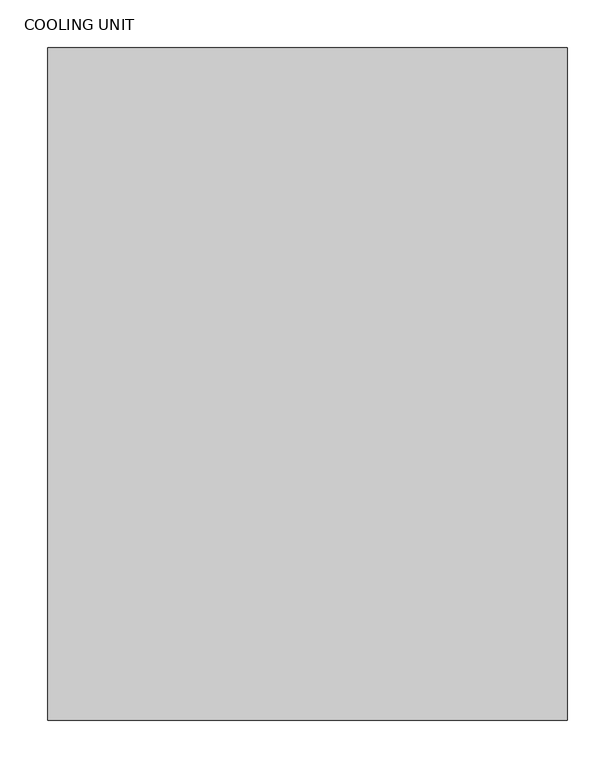
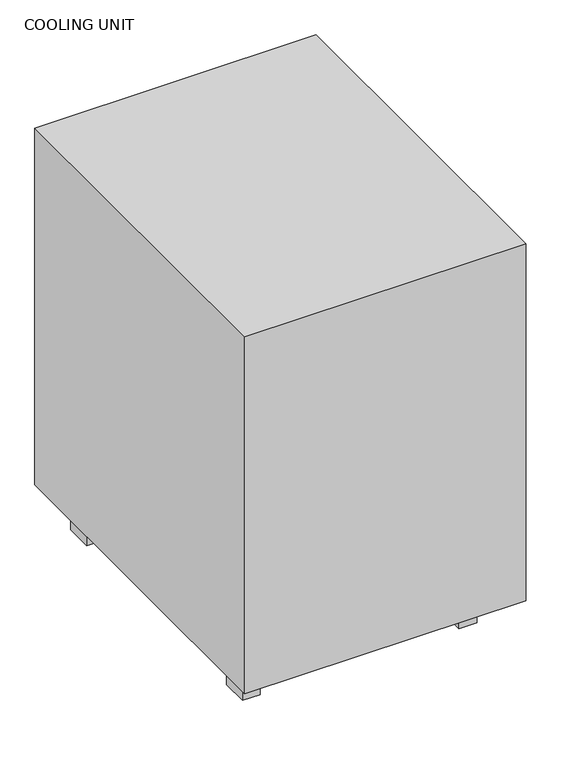
"""IFC4 building model written with IfcOpenShell, lengths in millimetres: proxy geometry, COOLING UNIT."""

import ifcopenshell
import ifcopenshell.guid

model = None  # the IFC model being written
_history = None  # IfcOwnerHistory: only IFC2X3 demands one
_inside = {}  # id of a spatial element -> (the spatial element, [elements in it])
_under = {}  # id of a project, library or spatial element -> (it, [spatial elements below it])
_declared = {}  # id of a project -> (the project, [libraries it declares])
_typed = {}  # id of a type object -> (the type object, [elements of that type])
_made_of = {}  # id of a material, layer set ... -> (it, [elements and type objects made of it])


def new_model(schema):
    """Start an empty IFC model of exactly this schema.

    Asked for "IFC4X3", IfcOpenShell would pick the latest addendum, in which some entities
    have other attributes; the version numbers below select the first issue.
    IFC2X3 requires an IfcOwnerHistory on every rooted entity: one is made here for all.
    """
    global model, _history
    if schema == "IFC4X3":
        model = ifcopenshell.file(schema_version=(4, 3, 0, 0))
    else:
        model = ifcopenshell.file(schema=schema)
    _inside.clear()
    _under.clear()
    _declared.clear()
    _typed.clear()
    _made_of.clear()
    _history = None
    if model.schema == "IFC2X3":
        org = make("IfcOrganization", Name="unknown")
        user = make(
            "IfcPersonAndOrganization",
            ThePerson=make("IfcPerson", FamilyName="unknown"),
            TheOrganization=org,
        )
        app = make(
            "IfcApplication",
            ApplicationDeveloper=org,
            Version="unknown",
            ApplicationFullName="unknown",
            ApplicationIdentifier="unknown",
        )
        _history = make(
            "IfcOwnerHistory",
            OwningUser=user,
            OwningApplication=app,
            ChangeAction="ADDED",
            CreationDate=0,
        )
    return model


def make(cls, **values):
    """One entity of the class cls with the attributes given. An attribute that is None is left unset."""
    return model.create_entity(
        cls, **{name: value for name, value in values.items() if value is not None}
    )


def rooted(cls, **values):
    """An entity with a GlobalId (a new one), such as an element, a storey or a relation."""
    return make(cls, GlobalId=ifcopenshell.guid.new(), OwnerHistory=_history, **values)


def si_unit(unit_type, name, prefix=None):
    """IfcSIUnit, for example si_unit("LENGTHUNIT", "METRE", prefix="MILLI")."""
    return make("IfcSIUnit", UnitType=unit_type, Prefix=prefix, Name=name)


def assignment(units):
    """IfcUnitAssignment: the units of a project."""
    return None if units is None else make("IfcUnitAssignment", Units=units)


def point(xyz):
    """IfcCartesianPoint."""
    return None if xyz is None else make("IfcCartesianPoint", Coordinates=xyz)


def direction(xyz):
    """IfcDirection."""
    return None if xyz is None else make("IfcDirection", DirectionRatios=xyz)


def frame(location, z_axis=None, x_axis=None):
    """IfcAxis2Placement3D, a coordinate frame: its origin and axes. An axis left out is left unset."""
    return make(
        "IfcAxis2Placement3D",
        Location=point(location),
        Axis=direction(z_axis),
        RefDirection=direction(x_axis),
    )


def origin():
    """The frame at (0, 0, 0) with its axes left unset."""
    return frame((0.0, 0.0, 0.0))


def origin_with_axes():
    """The frame at (0, 0, 0) with the z axis (0, 0, 1) and the x axis (1, 0, 0) written out."""
    return frame((0.0, 0.0, 0.0), z_axis=(0.0, 0.0, 1.0), x_axis=(1.0, 0.0, 0.0))


def place(relative_to, where):
    """IfcLocalPlacement: puts the frame where relative to a parent placement (None: the world)."""
    return make(
        "IfcLocalPlacement", PlacementRelTo=relative_to, RelativePlacement=where
    )


def context(
    kind, dimensions, precision=None, world=None, true_north=None, identifier=None
):
    """IfcGeometricRepresentationContext, for example the 3D "Model" context."""
    return make(
        "IfcGeometricRepresentationContext",
        ContextIdentifier=identifier,
        ContextType=kind,
        CoordinateSpaceDimension=dimensions,
        Precision=precision,
        WorldCoordinateSystem=world,
        TrueNorth=true_north,
    )


def project(units=None, contexts=None):
    """IfcProject with its units and contexts."""
    return rooted(
        "IfcProject",
        Name="project",
        RepresentationContexts=contexts,
        UnitsInContext=assignment(units),
    )


def spatial(cls, under=None, at=None, **own):
    """A site, building, storey or space (cls), placed at a placement, below another one or the project."""
    s = rooted(cls, ObjectPlacement=at, **own)
    if under is not None:
        _under.setdefault(under.id(), (under, []))[1].append(s)
    return s


def polyline(points):
    """IfcPolyline through the points."""
    return make("IfcPolyline", Points=[point(p) for p in points])


def outline(outer, holes=None, kind="AREA"):
    """IfcArbitraryClosedProfileDef: a profile drawn as a closed curve; with holes, ...WithVoids."""
    if holes is None:
        return make("IfcArbitraryClosedProfileDef", ProfileType=kind, OuterCurve=outer)
    return make(
        "IfcArbitraryProfileDefWithVoids",
        ProfileType=kind,
        OuterCurve=outer,
        InnerCurves=holes,
    )


def extrude(swept, where, along, depth):
    """IfcExtrudedAreaSolid: the profile swept, set in the frame where, extruded along a direction by depth."""
    return make(
        "IfcExtrudedAreaSolid",
        SweptArea=swept,
        Position=where,
        ExtrudedDirection=direction(along),
        Depth=depth,
    )


def shape(context_of_items, identifier, shape_type, items):
    """IfcShapeRepresentation: the items that make up one representation, for example the "Body"."""
    return make(
        "IfcShapeRepresentation",
        ContextOfItems=context_of_items,
        RepresentationIdentifier=identifier,
        RepresentationType=shape_type,
        Items=items,
    )


def source(mapping_origin, context_of_items, identifier, shape_type, items):
    """IfcRepresentationMap: a shape defined once, which mapped items show again and again."""
    return make(
        "IfcRepresentationMap",
        MappingOrigin=mapping_origin,
        MappedRepresentation=shape(context_of_items, identifier, shape_type, items),
    )


def transform(
    local_origin,
    x_axis=None,
    y_axis=None,
    z_axis=None,
    scale=None,
    scale2=None,
    scale3=None,
    uniform=True,
):
    """IfcCartesianTransformationOperator3D, or its non-uniform kind. x_axis, y_axis, z_axis: its Axis1, 2, 3."""
    if uniform:
        return make(
            "IfcCartesianTransformationOperator3D",
            Axis1=direction(x_axis),
            Axis2=direction(y_axis),
            LocalOrigin=point(local_origin),
            Scale=scale,
            Axis3=direction(z_axis),
        )
    return make(
        "IfcCartesianTransformationOperator3DnonUniform",
        Axis1=direction(x_axis),
        Axis2=direction(y_axis),
        LocalOrigin=point(local_origin),
        Scale=scale,
        Axis3=direction(z_axis),
        Scale2=scale2,
        Scale3=scale3,
    )


def mapped(mapping_source, mapping_target):
    """IfcMappedItem: shows the shape of a source again, moved by a transform."""
    return make(
        "IfcMappedItem", MappingSource=mapping_source, MappingTarget=mapping_target
    )


def made_of(thing, what):
    """Note that an element or type object is made of a material, layer set ...; save() writes the relation."""
    if what is not None:
        _made_of.setdefault(what.id(), (what, []))[1].append(thing)
    return thing


def element(
    cls,
    number,
    at=None,
    inside=None,
    cuts=None,
    type_object=None,
    material=None,
    context=None,
    identifier="Body",
    shape_type=None,
    held_by="IfcProductDefinitionShape",
    body=None,
    shapes=None,
    **own,
):
    """One element of the class cls, such as IfcWall. Its Tag is "e" and its number.

    at: its placement. inside: the storey or other place that contains it. cuts: it is an
    opening in that element (IfcRelVoidsElement). A single representation is given by context,
    identifier, shape_type and body (its items); several are given by shapes. held_by: the class
    of the entity that holds the representations. save() writes the other relations.
    """
    e = rooted(cls, Tag="e%d" % number, ObjectPlacement=at, **own)
    if body is not None:
        shapes = [shape(context, identifier, shape_type, body)]
    if shapes is not None:
        e.Representation = make(held_by, Representations=shapes)
    if inside is not None:
        _inside.setdefault(inside.id(), (inside, []))[1].append(e)
    if cuts is not None:
        rooted(
            "IfcRelVoidsElement", RelatingBuildingElement=cuts, RelatedOpeningElement=e
        )
    if type_object is not None:
        _typed.setdefault(type_object.id(), (type_object, []))[1].append(e)
    return made_of(e, material)


def aggregate(whole, parts):
    """IfcRelAggregates: a whole, such as a stair, and the parts it consists of."""
    return rooted("IfcRelAggregates", RelatingObject=whole, RelatedObjects=parts)


def save(model, path):
    """Write the relations noted so far, then the file.

    IfcRelAggregates (storeys below a building ...), IfcRelContainedInSpatialStructure (elements
    in a storey), IfcRelDefinesByType, IfcRelAssociatesMaterial and IfcRelDeclares: one each for
    every whole, place, type object, material and project.
    """
    for whole, parts in _under.values():
        aggregate(whole, parts)
    for where, things in _inside.values():
        rooted(
            "IfcRelContainedInSpatialStructure",
            RelatedElements=things,
            RelatingStructure=where,
        )
    for kind, things in _typed.values():
        rooted("IfcRelDefinesByType", RelatedObjects=things, RelatingType=kind)
    for what, things in _made_of.values():
        rooted("IfcRelAssociatesMaterial", RelatedObjects=things, RelatingMaterial=what)
    for by, libraries in _declared.values():
        rooted("IfcRelDeclares", RelatingContext=by, RelatedDefinitions=libraries)
    model.write(path)


def cooling_unit_78903732(model_context):
    return source(origin(), model_context, "Body", "SweptSolid", [
        extrude(outline(polyline([(-321.6542933, -956.4501489), (-355.7246539, -956.4501489), (-355.7246539, -903.3938734), (-321.6542933, -903.3938734), (-321.6542933, -956.4501489)])), origin_with_axes(), (0.0, 0.0, 1.0), 80.518544),
        extrude(outline(polyline([(97.4457067, -956.4501489), (63.3753461, -956.4501489), (63.3753461, -903.3938734), (97.4457067, -903.3938734), (97.4457067, -956.4501489)])), origin_with_axes(), (0.0, 0.0, 1.0), 80.518544),
        extrude(outline(polyline([(-321.6542933, -434.0004947), (-355.7246539, -434.0004947), (-355.7246539, -380.9442193), (-321.6542933, -380.9442193), (-321.6542933, -434.0004947)])), origin_with_axes(), (0.0, 0.0, 1.0), 80.518544),
        extrude(outline(polyline([(97.4457067, -434.0004947), (63.3753461, -434.0004947), (63.3753461, -380.9442193), (97.4457067, -380.9442193), (97.4457067, -434.0004947)])), origin_with_axes(), (0.0, 0.0, 1.0), 80.518544),
        extrude(outline(polyline([(143.6725904, -1040.8248699), (-399.8874096, -1040.8248699), (-399.8874096, -337.2448699), (143.6725904, -337.2448699), (143.6725904, -1040.8248699)])), frame((0.0, 0.0, 80.518544), z_axis=(0.0, 0.0, 1.0), x_axis=(1.0, 0.0, 0.0)), (0.0, 0.0, 1.0), 729.741456),
    ])


if __name__ == "__main__":
    model = new_model("IFC4")
    model_context = context("Model", 3, world=origin())
    ifc_project = project(units=[si_unit("LENGTHUNIT", "METRE", prefix="MILLI")], contexts=[model_context])
    site = spatial("IfcSite", under=ifc_project)
    building = spatial("IfcBuilding", under=site)
    placement = place(None, origin())
    cooling_unit_shape = cooling_unit_78903732(model_context)
    element("IfcBuildingElementProxy", 1, Name="COOLING UNIT", ObjectType="COOLING UNIT", at=placement, inside=building, context=model_context, shape_type="MappedRepresentation", body=[
        mapped(cooling_unit_shape, transform((0.0, 0.0, 0.0), x_axis=(1.0, 0.0, 0.0), y_axis=(0.0, 1.0, 0.0), z_axis=(0.0, 0.0, 1.0))),
    ])
    save(model, "model.ifc")
